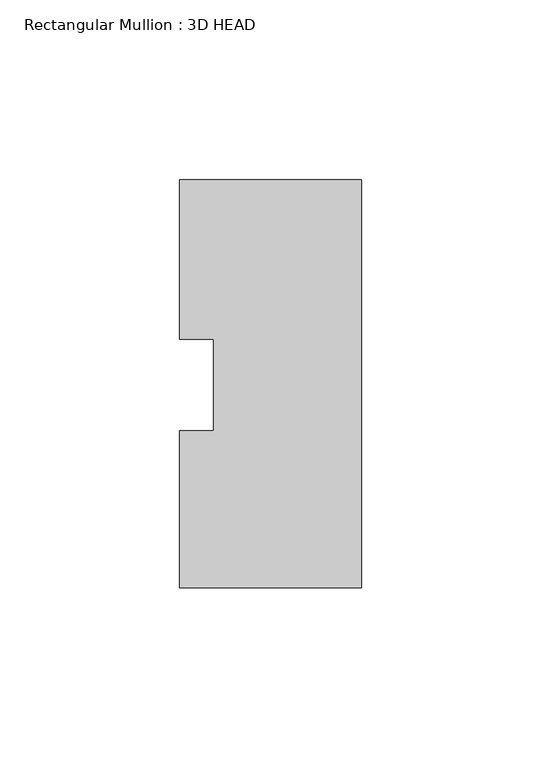
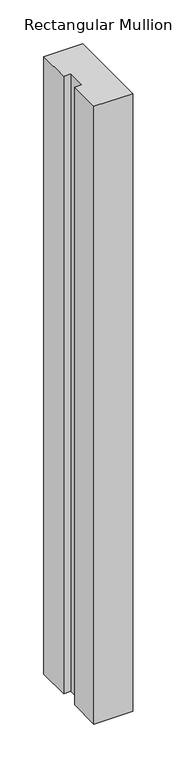
"""IFC4 building model written with IfcOpenShell, lengths in millimetres: member geometry, Rectangular Mullion : 3D HEAD."""

from ifc_helpers import new_model, si_unit, frame, origin, place, context, project, spatial, polyline, outline, extrude, source, transform, mapped, element, save


def rectangular_mullion_3d_head_70b5fd4a(model_context):
    return source(origin(), model_context, "Body", "SweptSolid", [
        extrude(outline(polyline([(0.0, -56.4681052), (-50.8, -56.4681052), (-50.8, -12.6827714), (-41.275, -12.6827714), (-41.275, 12.8118553), (-50.8, 12.8118553), (-50.8, 57.2618553), (0.0, 57.2618553), (0.0, -56.4681052)])), frame((0.0, 0.0, -857.25), z_axis=(0.0, 0.0, 1.0), x_axis=(1.0, 0.0, 0.0)), (0.0, 0.0, 1.0), 857.25),
    ])


if __name__ == "__main__":
    model = new_model("IFC4")
    model_context = context("Model", 3, world=origin())
    ifc_project = project(units=[si_unit("LENGTHUNIT", "METRE", prefix="MILLI")], contexts=[model_context])
    site = spatial("IfcSite", under=ifc_project)
    building = spatial("IfcBuilding", under=site)
    placement = place(None, origin())
    rectangular_mullion_3d_head_shape = rectangular_mullion_3d_head_70b5fd4a(model_context)
    element("IfcMember", 1, ObjectType="Rectangular Mullion : 3D HEAD", at=placement, inside=building, context=model_context, shape_type="MappedRepresentation", body=[
        mapped(rectangular_mullion_3d_head_shape, transform((0.0, 0.0, 0.0), x_axis=(1.0, 0.0, 0.0), y_axis=(0.0, 1.0, 0.0), z_axis=(0.0, 0.0, 1.0))),
    ])
    save(model, "model.ifc")
